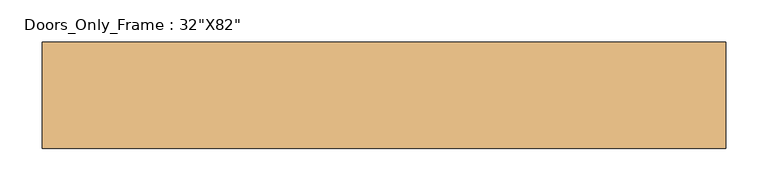
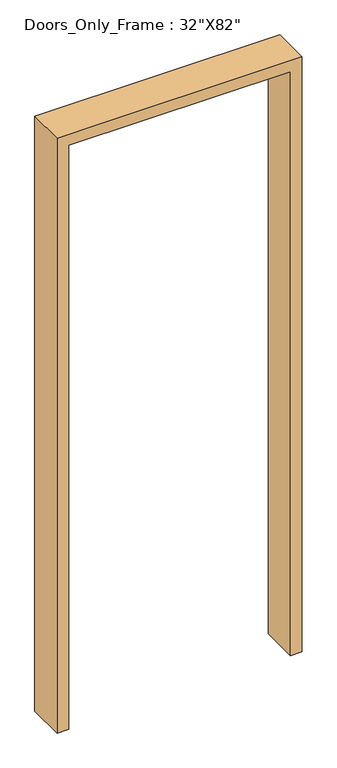
"""IFC4 building model written with IfcOpenShell, lengths in millimetres: door geometry."""

from ifc_helpers import new_model, si_unit, frame, origin, place, context, project, spatial, polyline, outline, extrude, source, transform, mapped, element, save


def door_e15cfd75(model_context):
    return source(origin(), model_context, "Body", "SweptSolid", [
        extrude(outline(polyline([(0.0, 368.3), (0.0, 406.4), (2082.8, 406.4), (2082.8, -406.4), (0.0, -406.4), (0.0, -368.3), (2044.7, -368.3), (2044.7, 368.3), (0.0, 368.3)])), frame((0.0, -63.5, 0.0), z_axis=(0.0, 1.0, 0.0), x_axis=(0.0, 0.0, 1.0)), (0.0, 0.0, 1.0), 127.0),
    ])


if __name__ == "__main__":
    model = new_model("IFC4")
    model_context = context("Model", 3, world=origin())
    ifc_project = project(units=[si_unit("LENGTHUNIT", "METRE", prefix="MILLI")], contexts=[model_context])
    site = spatial("IfcSite", under=ifc_project)
    building = spatial("IfcBuilding", under=site)
    placement = place(None, origin())
    door_shape = door_e15cfd75(model_context)
    element("IfcDoor", 1, ObjectType="Doors_Only_Frame : 32\"X82\"", at=placement, inside=building, context=model_context, shape_type="MappedRepresentation", body=[
        mapped(door_shape, transform((0.0, 0.0, 0.0), x_axis=(1.0, 0.0, 0.0), y_axis=(0.0, 1.0, 0.0), z_axis=(0.0, 0.0, 1.0))),
    ])
    save(model, "model.ifc")
